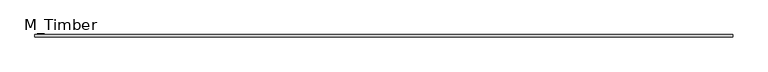
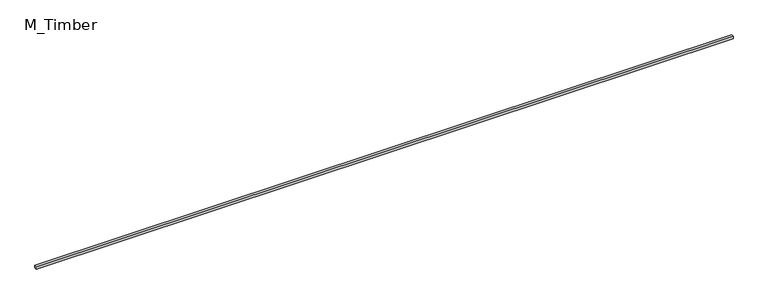
"""IFC4 building model written with IfcOpenShell, lengths in millimetres: beam geometry, M_Timber."""

from ifc_helpers import new_model, si_unit, frame, origin, place, context, project, spatial, polyline, outline, extrude, source, transform, mapped, element, save


def m_timber_d77124f3(model_context):
    return source(origin(), model_context, "Body", "SweptSolid", [
        extrude(outline(polyline([(5451.0049125, 20.0), (5451.0049125, -20.0), (-5451.0049125, -20.0), (-5451.0049125, 20.0), (5451.0049125, 20.0)])), frame((0.0, 0.0, -20.0), z_axis=(0.0, 0.0, 1.0), x_axis=(1.0, 0.0, 0.0)), (0.0, 0.0, 1.0), 40.0),
    ])


if __name__ == "__main__":
    model = new_model("IFC4")
    model_context = context("Model", 3, world=origin())
    ifc_project = project(units=[si_unit("LENGTHUNIT", "METRE", prefix="MILLI")], contexts=[model_context])
    site = spatial("IfcSite", under=ifc_project)
    building = spatial("IfcBuilding", under=site)
    placement = place(None, origin())
    m_timber_shape = m_timber_d77124f3(model_context)
    element("IfcBeam", 1, ObjectType="M_Timber", at=placement, inside=building, context=model_context, shape_type="MappedRepresentation", body=[
        mapped(m_timber_shape, transform((0.0, 0.0, 0.0), x_axis=(1.0, 0.0, 0.0), y_axis=(0.0, 1.0, 0.0), z_axis=(0.0, 0.0, 1.0))),
    ])
    save(model, "model.ifc")
